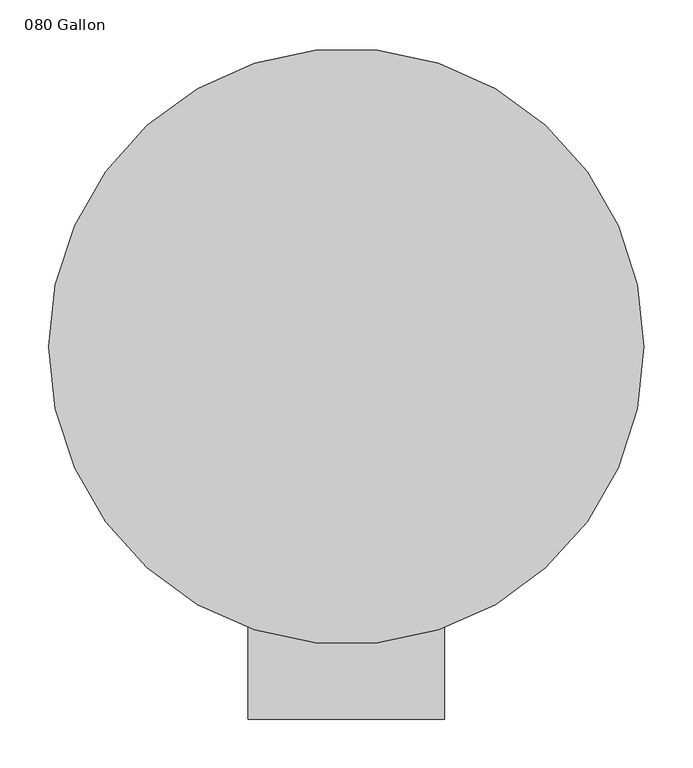
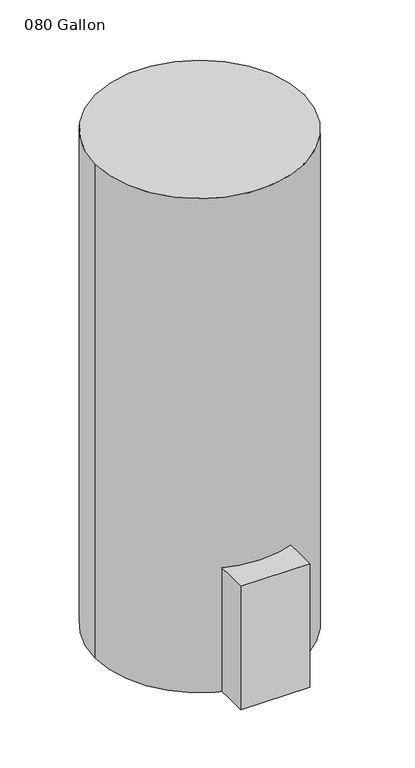
"""IFC4 building model written with IfcOpenShell, lengths in millimetres: proxy geometry, 080 Gallon."""

import ifcopenshell
import ifcopenshell.guid

model = None  # the IFC model being written
_history = None  # IfcOwnerHistory: only IFC2X3 demands one
_inside = {}  # id of a spatial element -> (the spatial element, [elements in it])
_under = {}  # id of a project, library or spatial element -> (it, [spatial elements below it])
_declared = {}  # id of a project -> (the project, [libraries it declares])
_typed = {}  # id of a type object -> (the type object, [elements of that type])
_made_of = {}  # id of a material, layer set ... -> (it, [elements and type objects made of it])


def new_model(schema):
    """Start an empty IFC model of exactly this schema.

    Asked for "IFC4X3", IfcOpenShell would pick the latest addendum, in which some entities
    have other attributes; the version numbers below select the first issue.
    IFC2X3 requires an IfcOwnerHistory on every rooted entity: one is made here for all.
    """
    global model, _history
    if schema == "IFC4X3":
        model = ifcopenshell.file(schema_version=(4, 3, 0, 0))
    else:
        model = ifcopenshell.file(schema=schema)
    _inside.clear()
    _under.clear()
    _declared.clear()
    _typed.clear()
    _made_of.clear()
    _history = None
    if model.schema == "IFC2X3":
        org = make("IfcOrganization", Name="unknown")
        user = make(
            "IfcPersonAndOrganization",
            ThePerson=make("IfcPerson", FamilyName="unknown"),
            TheOrganization=org,
        )
        app = make(
            "IfcApplication",
            ApplicationDeveloper=org,
            Version="unknown",
            ApplicationFullName="unknown",
            ApplicationIdentifier="unknown",
        )
        _history = make(
            "IfcOwnerHistory",
            OwningUser=user,
            OwningApplication=app,
            ChangeAction="ADDED",
            CreationDate=0,
        )
    return model


def make(cls, **values):
    """One entity of the class cls with the attributes given. An attribute that is None is left unset."""
    return model.create_entity(
        cls, **{name: value for name, value in values.items() if value is not None}
    )


def rooted(cls, **values):
    """An entity with a GlobalId (a new one), such as an element, a storey or a relation."""
    return make(cls, GlobalId=ifcopenshell.guid.new(), OwnerHistory=_history, **values)


def si_unit(unit_type, name, prefix=None):
    """IfcSIUnit, for example si_unit("LENGTHUNIT", "METRE", prefix="MILLI")."""
    return make("IfcSIUnit", UnitType=unit_type, Prefix=prefix, Name=name)


def assignment(units):
    """IfcUnitAssignment: the units of a project."""
    return None if units is None else make("IfcUnitAssignment", Units=units)


def point(xyz):
    """IfcCartesianPoint."""
    return None if xyz is None else make("IfcCartesianPoint", Coordinates=xyz)


def direction(xyz):
    """IfcDirection."""
    return None if xyz is None else make("IfcDirection", DirectionRatios=xyz)


def frame(location, z_axis=None, x_axis=None):
    """IfcAxis2Placement3D, a coordinate frame: its origin and axes. An axis left out is left unset."""
    return make(
        "IfcAxis2Placement3D",
        Location=point(location),
        Axis=direction(z_axis),
        RefDirection=direction(x_axis),
    )


def frame_2d(location, x_axis=None):
    """IfcAxis2Placement2D, a coordinate frame in the plane: its origin and x axis."""
    return make(
        "IfcAxis2Placement2D", Location=point(location), RefDirection=direction(x_axis)
    )


def origin():
    """The frame at (0, 0, 0) with its axes left unset."""
    return frame((0.0, 0.0, 0.0))


def origin_with_axes():
    """The frame at (0, 0, 0) with the z axis (0, 0, 1) and the x axis (1, 0, 0) written out."""
    return frame((0.0, 0.0, 0.0), z_axis=(0.0, 0.0, 1.0), x_axis=(1.0, 0.0, 0.0))


def origin_2d():
    """The frame at (0, 0) in the plane with its x axis left unset."""
    return frame_2d((0.0, 0.0))


def place(relative_to, where):
    """IfcLocalPlacement: puts the frame where relative to a parent placement (None: the world)."""
    return make(
        "IfcLocalPlacement", PlacementRelTo=relative_to, RelativePlacement=where
    )


def context(
    kind, dimensions, precision=None, world=None, true_north=None, identifier=None
):
    """IfcGeometricRepresentationContext, for example the 3D "Model" context."""
    return make(
        "IfcGeometricRepresentationContext",
        ContextIdentifier=identifier,
        ContextType=kind,
        CoordinateSpaceDimension=dimensions,
        Precision=precision,
        WorldCoordinateSystem=world,
        TrueNorth=true_north,
    )


def project(units=None, contexts=None):
    """IfcProject with its units and contexts."""
    return rooted(
        "IfcProject",
        Name="project",
        RepresentationContexts=contexts,
        UnitsInContext=assignment(units),
    )


def spatial(cls, under=None, at=None, **own):
    """A site, building, storey or space (cls), placed at a placement, below another one or the project."""
    s = rooted(cls, ObjectPlacement=at, **own)
    if under is not None:
        _under.setdefault(under.id(), (under, []))[1].append(s)
    return s


def polyline(points):
    """IfcPolyline through the points."""
    return make("IfcPolyline", Points=[point(p) for p in points])


def circle_curve(where, radius):
    """IfcCircle in the frame where."""
    return make("IfcCircle", Position=where, Radius=radius)


def trimmed(basis, trim1, trim2, sense, master):
    """IfcTrimmedCurve: the piece of a basis curve between two trims."""
    return make(
        "IfcTrimmedCurve",
        BasisCurve=basis,
        Trim1=trim1,
        Trim2=trim2,
        SenseAgreement=sense,
        MasterRepresentation=master,
    )


def segment(curve, same_sense, transition):
    """IfcCompositeCurveSegment."""
    return make(
        "IfcCompositeCurveSegment",
        Transition=transition,
        SameSense=same_sense,
        ParentCurve=curve,
    )


def composite_curve(segments, self_intersect=None):
    """IfcCompositeCurve: segments joined end to end."""
    return make("IfcCompositeCurve", Segments=segments, SelfIntersect=self_intersect)


def outline(outer, holes=None, kind="AREA"):
    """IfcArbitraryClosedProfileDef: a profile drawn as a closed curve; with holes, ...WithVoids."""
    if holes is None:
        return make("IfcArbitraryClosedProfileDef", ProfileType=kind, OuterCurve=outer)
    return make(
        "IfcArbitraryProfileDefWithVoids",
        ProfileType=kind,
        OuterCurve=outer,
        InnerCurves=holes,
    )


def extrude(swept, where, along, depth):
    """IfcExtrudedAreaSolid: the profile swept, set in the frame where, extruded along a direction by depth."""
    return make(
        "IfcExtrudedAreaSolid",
        SweptArea=swept,
        Position=where,
        ExtrudedDirection=direction(along),
        Depth=depth,
    )


def shape(context_of_items, identifier, shape_type, items):
    """IfcShapeRepresentation: the items that make up one representation, for example the "Body"."""
    return make(
        "IfcShapeRepresentation",
        ContextOfItems=context_of_items,
        RepresentationIdentifier=identifier,
        RepresentationType=shape_type,
        Items=items,
    )


def source(mapping_origin, context_of_items, identifier, shape_type, items):
    """IfcRepresentationMap: a shape defined once, which mapped items show again and again."""
    return make(
        "IfcRepresentationMap",
        MappingOrigin=mapping_origin,
        MappedRepresentation=shape(context_of_items, identifier, shape_type, items),
    )


def transform(
    local_origin,
    x_axis=None,
    y_axis=None,
    z_axis=None,
    scale=None,
    scale2=None,
    scale3=None,
    uniform=True,
):
    """IfcCartesianTransformationOperator3D, or its non-uniform kind. x_axis, y_axis, z_axis: its Axis1, 2, 3."""
    if uniform:
        return make(
            "IfcCartesianTransformationOperator3D",
            Axis1=direction(x_axis),
            Axis2=direction(y_axis),
            LocalOrigin=point(local_origin),
            Scale=scale,
            Axis3=direction(z_axis),
        )
    return make(
        "IfcCartesianTransformationOperator3DnonUniform",
        Axis1=direction(x_axis),
        Axis2=direction(y_axis),
        LocalOrigin=point(local_origin),
        Scale=scale,
        Axis3=direction(z_axis),
        Scale2=scale2,
        Scale3=scale3,
    )


def mapped(mapping_source, mapping_target):
    """IfcMappedItem: shows the shape of a source again, moved by a transform."""
    return make(
        "IfcMappedItem", MappingSource=mapping_source, MappingTarget=mapping_target
    )


def made_of(thing, what):
    """Note that an element or type object is made of a material, layer set ...; save() writes the relation."""
    if what is not None:
        _made_of.setdefault(what.id(), (what, []))[1].append(thing)
    return thing


def element(
    cls,
    number,
    at=None,
    inside=None,
    cuts=None,
    type_object=None,
    material=None,
    context=None,
    identifier="Body",
    shape_type=None,
    held_by="IfcProductDefinitionShape",
    body=None,
    shapes=None,
    **own,
):
    """One element of the class cls, such as IfcWall. Its Tag is "e" and its number.

    at: its placement. inside: the storey or other place that contains it. cuts: it is an
    opening in that element (IfcRelVoidsElement). A single representation is given by context,
    identifier, shape_type and body (its items); several are given by shapes. held_by: the class
    of the entity that holds the representations. save() writes the other relations.
    """
    e = rooted(cls, Tag="e%d" % number, ObjectPlacement=at, **own)
    if body is not None:
        shapes = [shape(context, identifier, shape_type, body)]
    if shapes is not None:
        e.Representation = make(held_by, Representations=shapes)
    if inside is not None:
        _inside.setdefault(inside.id(), (inside, []))[1].append(e)
    if cuts is not None:
        rooted(
            "IfcRelVoidsElement", RelatingBuildingElement=cuts, RelatedOpeningElement=e
        )
    if type_object is not None:
        _typed.setdefault(type_object.id(), (type_object, []))[1].append(e)
    return made_of(e, material)


def aggregate(whole, parts):
    """IfcRelAggregates: a whole, such as a stair, and the parts it consists of."""
    return rooted("IfcRelAggregates", RelatingObject=whole, RelatedObjects=parts)


def save(model, path):
    """Write the relations noted so far, then the file.

    IfcRelAggregates (storeys below a building ...), IfcRelContainedInSpatialStructure (elements
    in a storey), IfcRelDefinesByType, IfcRelAssociatesMaterial and IfcRelDeclares: one each for
    every whole, place, type object, material and project.
    """
    for whole, parts in _under.values():
        aggregate(whole, parts)
    for where, things in _inside.values():
        rooted(
            "IfcRelContainedInSpatialStructure",
            RelatedElements=things,
            RelatingStructure=where,
        )
    for kind, things in _typed.values():
        rooted("IfcRelDefinesByType", RelatedObjects=things, RelatingType=kind)
    for what, things in _made_of.values():
        rooted("IfcRelAssociatesMaterial", RelatedObjects=things, RelatingMaterial=what)
    for by, libraries in _declared.values():
        rooted("IfcRelDeclares", RelatingContext=by, RelatedDefinitions=libraries)
    model.write(path)


def proxy_080_gallon_978b9f4d(model_context):
    return source(origin(), model_context, "Body", "SweptSolid", [
        extrude(outline(polyline([(-100.584, -228.6), (100.584, -228.6), (100.584, -381.0), (-100.584, -381.0), (-100.584, -228.6)])), origin_with_axes(), (0.0, 0.0, 1.0), 381.0),
        extrude(outline(composite_curve([segment(trimmed(circle_curve(origin_2d(), 304.8), [point((-304.8, 0.0))], [point((304.8, 0.0))], False, "CARTESIAN"), True, "CONTINUOUS"), segment(trimmed(circle_curve(origin_2d(), 304.8), [point((304.8, 0.0))], [point((-304.8, 0.0))], False, "CARTESIAN"), True, "CONTINUOUS")], self_intersect=False)), origin_with_axes(), (0.0, 0.0, 1.0), 1524.0),
    ])


if __name__ == "__main__":
    model = new_model("IFC4")
    model_context = context("Model", 3, world=origin())
    ifc_project = project(units=[si_unit("LENGTHUNIT", "METRE", prefix="MILLI")], contexts=[model_context])
    site = spatial("IfcSite", under=ifc_project)
    building = spatial("IfcBuilding", under=site)
    placement = place(None, origin())
    proxy_080_gallon_shape = proxy_080_gallon_978b9f4d(model_context)
    element("IfcBuildingElementProxy", 1, Name="080 Gallon", ObjectType="080 Gallon", at=placement, inside=building, context=model_context, shape_type="MappedRepresentation", body=[
        mapped(proxy_080_gallon_shape, transform((0.0, 0.0, 0.0), x_axis=(1.0, 0.0, 0.0), y_axis=(0.0, 1.0, 0.0), z_axis=(0.0, 0.0, 1.0))),
    ])
    save(model, "model.ifc")
